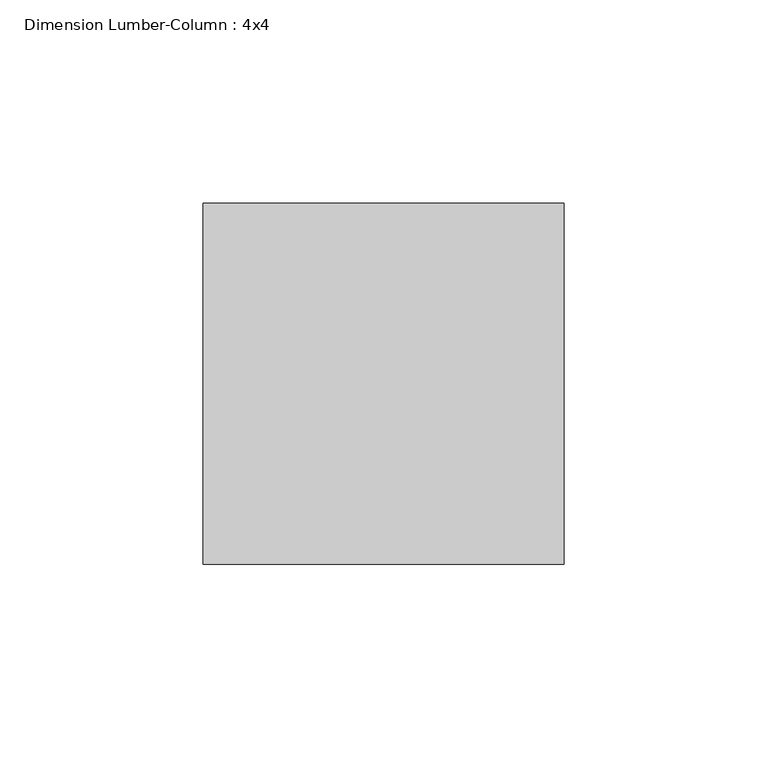
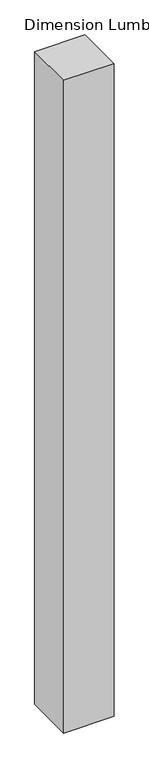
"""IFC4 building model written with IfcOpenShell, lengths in millimetres: column geometry, Dimension Lumber-Column : 4x4."""

from ifc_helpers import new_model, si_unit, origin, origin_with_axes, place, context, project, spatial, polyline, outline, extrude, source, transform, mapped, element, save


def dimension_lumber_column_4x4_3d5f2c43(model_context):
    return source(origin(), model_context, "Body", "SweptSolid", [
        extrude(outline(polyline([(44.45, 44.45), (44.45, -44.45), (-44.45, -44.45), (-44.45, 44.45), (44.45, 44.45)])), origin_with_axes(), (0.0, 0.0, 1.0), 1219.2),
    ])


if __name__ == "__main__":
    model = new_model("IFC4")
    model_context = context("Model", 3, world=origin())
    ifc_project = project(units=[si_unit("LENGTHUNIT", "METRE", prefix="MILLI")], contexts=[model_context])
    site = spatial("IfcSite", under=ifc_project)
    building = spatial("IfcBuilding", under=site)
    placement = place(None, origin())
    dimension_lumber_column_4x4_shape = dimension_lumber_column_4x4_3d5f2c43(model_context)
    element("IfcColumn", 1, ObjectType="Dimension Lumber-Column : 4x4", at=placement, inside=building, context=model_context, shape_type="MappedRepresentation", body=[
        mapped(dimension_lumber_column_4x4_shape, transform((0.0, 0.0, 0.0), x_axis=(1.0, 0.0, 0.0), y_axis=(0.0, 1.0, 0.0), z_axis=(0.0, 0.0, 1.0))),
    ])
    save(model, "model.ifc")
